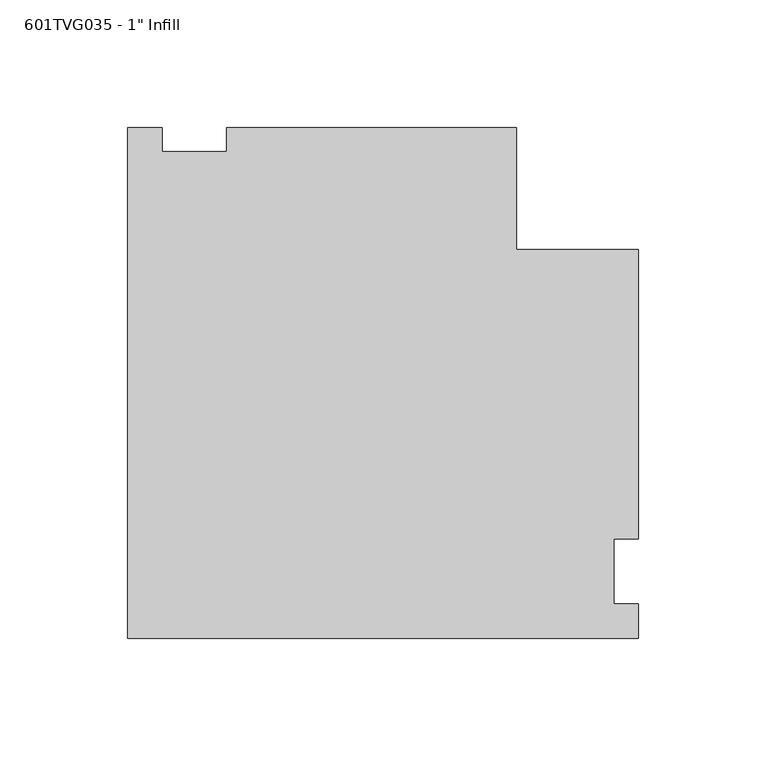
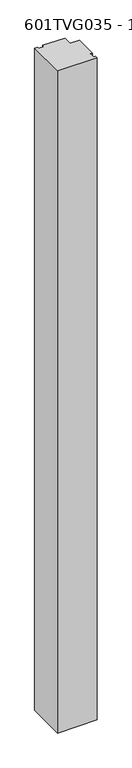
"""IFC4 building model written with IfcOpenShell, lengths in millimetres: proxy geometry."""

import ifcopenshell
import ifcopenshell.guid

model = None  # the IFC model being written
_history = None  # IfcOwnerHistory: only IFC2X3 demands one
_inside = {}  # id of a spatial element -> (the spatial element, [elements in it])
_under = {}  # id of a project, library or spatial element -> (it, [spatial elements below it])
_declared = {}  # id of a project -> (the project, [libraries it declares])
_typed = {}  # id of a type object -> (the type object, [elements of that type])
_made_of = {}  # id of a material, layer set ... -> (it, [elements and type objects made of it])


def new_model(schema):
    """Start an empty IFC model of exactly this schema.

    Asked for "IFC4X3", IfcOpenShell would pick the latest addendum, in which some entities
    have other attributes; the version numbers below select the first issue.
    IFC2X3 requires an IfcOwnerHistory on every rooted entity: one is made here for all.
    """
    global model, _history
    if schema == "IFC4X3":
        model = ifcopenshell.file(schema_version=(4, 3, 0, 0))
    else:
        model = ifcopenshell.file(schema=schema)
    _inside.clear()
    _under.clear()
    _declared.clear()
    _typed.clear()
    _made_of.clear()
    _history = None
    if model.schema == "IFC2X3":
        org = make("IfcOrganization", Name="unknown")
        user = make(
            "IfcPersonAndOrganization",
            ThePerson=make("IfcPerson", FamilyName="unknown"),
            TheOrganization=org,
        )
        app = make(
            "IfcApplication",
            ApplicationDeveloper=org,
            Version="unknown",
            ApplicationFullName="unknown",
            ApplicationIdentifier="unknown",
        )
        _history = make(
            "IfcOwnerHistory",
            OwningUser=user,
            OwningApplication=app,
            ChangeAction="ADDED",
            CreationDate=0,
        )
    return model


def make(cls, **values):
    """One entity of the class cls with the attributes given. An attribute that is None is left unset."""
    return model.create_entity(
        cls, **{name: value for name, value in values.items() if value is not None}
    )


def rooted(cls, **values):
    """An entity with a GlobalId (a new one), such as an element, a storey or a relation."""
    return make(cls, GlobalId=ifcopenshell.guid.new(), OwnerHistory=_history, **values)


def si_unit(unit_type, name, prefix=None):
    """IfcSIUnit, for example si_unit("LENGTHUNIT", "METRE", prefix="MILLI")."""
    return make("IfcSIUnit", UnitType=unit_type, Prefix=prefix, Name=name)


def assignment(units):
    """IfcUnitAssignment: the units of a project."""
    return None if units is None else make("IfcUnitAssignment", Units=units)


def point(xyz):
    """IfcCartesianPoint."""
    return None if xyz is None else make("IfcCartesianPoint", Coordinates=xyz)


def direction(xyz):
    """IfcDirection."""
    return None if xyz is None else make("IfcDirection", DirectionRatios=xyz)


def frame(location, z_axis=None, x_axis=None):
    """IfcAxis2Placement3D, a coordinate frame: its origin and axes. An axis left out is left unset."""
    return make(
        "IfcAxis2Placement3D",
        Location=point(location),
        Axis=direction(z_axis),
        RefDirection=direction(x_axis),
    )


def origin():
    """The frame at (0, 0, 0) with its axes left unset."""
    return frame((0.0, 0.0, 0.0))


def place(relative_to, where):
    """IfcLocalPlacement: puts the frame where relative to a parent placement (None: the world)."""
    return make(
        "IfcLocalPlacement", PlacementRelTo=relative_to, RelativePlacement=where
    )


def context(
    kind, dimensions, precision=None, world=None, true_north=None, identifier=None
):
    """IfcGeometricRepresentationContext, for example the 3D "Model" context."""
    return make(
        "IfcGeometricRepresentationContext",
        ContextIdentifier=identifier,
        ContextType=kind,
        CoordinateSpaceDimension=dimensions,
        Precision=precision,
        WorldCoordinateSystem=world,
        TrueNorth=true_north,
    )


def project(units=None, contexts=None):
    """IfcProject with its units and contexts."""
    return rooted(
        "IfcProject",
        Name="project",
        RepresentationContexts=contexts,
        UnitsInContext=assignment(units),
    )


def spatial(cls, under=None, at=None, **own):
    """A site, building, storey or space (cls), placed at a placement, below another one or the project."""
    s = rooted(cls, ObjectPlacement=at, **own)
    if under is not None:
        _under.setdefault(under.id(), (under, []))[1].append(s)
    return s


def polyline(points):
    """IfcPolyline through the points."""
    return make("IfcPolyline", Points=[point(p) for p in points])


def outline(outer, holes=None, kind="AREA"):
    """IfcArbitraryClosedProfileDef: a profile drawn as a closed curve; with holes, ...WithVoids."""
    if holes is None:
        return make("IfcArbitraryClosedProfileDef", ProfileType=kind, OuterCurve=outer)
    return make(
        "IfcArbitraryProfileDefWithVoids",
        ProfileType=kind,
        OuterCurve=outer,
        InnerCurves=holes,
    )


def extrude(swept, where, along, depth):
    """IfcExtrudedAreaSolid: the profile swept, set in the frame where, extruded along a direction by depth."""
    return make(
        "IfcExtrudedAreaSolid",
        SweptArea=swept,
        Position=where,
        ExtrudedDirection=direction(along),
        Depth=depth,
    )


def shape(context_of_items, identifier, shape_type, items):
    """IfcShapeRepresentation: the items that make up one representation, for example the "Body"."""
    return make(
        "IfcShapeRepresentation",
        ContextOfItems=context_of_items,
        RepresentationIdentifier=identifier,
        RepresentationType=shape_type,
        Items=items,
    )


def source(mapping_origin, context_of_items, identifier, shape_type, items):
    """IfcRepresentationMap: a shape defined once, which mapped items show again and again."""
    return make(
        "IfcRepresentationMap",
        MappingOrigin=mapping_origin,
        MappedRepresentation=shape(context_of_items, identifier, shape_type, items),
    )


def transform(
    local_origin,
    x_axis=None,
    y_axis=None,
    z_axis=None,
    scale=None,
    scale2=None,
    scale3=None,
    uniform=True,
):
    """IfcCartesianTransformationOperator3D, or its non-uniform kind. x_axis, y_axis, z_axis: its Axis1, 2, 3."""
    if uniform:
        return make(
            "IfcCartesianTransformationOperator3D",
            Axis1=direction(x_axis),
            Axis2=direction(y_axis),
            LocalOrigin=point(local_origin),
            Scale=scale,
            Axis3=direction(z_axis),
        )
    return make(
        "IfcCartesianTransformationOperator3DnonUniform",
        Axis1=direction(x_axis),
        Axis2=direction(y_axis),
        LocalOrigin=point(local_origin),
        Scale=scale,
        Axis3=direction(z_axis),
        Scale2=scale2,
        Scale3=scale3,
    )


def mapped(mapping_source, mapping_target):
    """IfcMappedItem: shows the shape of a source again, moved by a transform."""
    return make(
        "IfcMappedItem", MappingSource=mapping_source, MappingTarget=mapping_target
    )


def made_of(thing, what):
    """Note that an element or type object is made of a material, layer set ...; save() writes the relation."""
    if what is not None:
        _made_of.setdefault(what.id(), (what, []))[1].append(thing)
    return thing


def element(
    cls,
    number,
    at=None,
    inside=None,
    cuts=None,
    type_object=None,
    material=None,
    context=None,
    identifier="Body",
    shape_type=None,
    held_by="IfcProductDefinitionShape",
    body=None,
    shapes=None,
    **own,
):
    """One element of the class cls, such as IfcWall. Its Tag is "e" and its number.

    at: its placement. inside: the storey or other place that contains it. cuts: it is an
    opening in that element (IfcRelVoidsElement). A single representation is given by context,
    identifier, shape_type and body (its items); several are given by shapes. held_by: the class
    of the entity that holds the representations. save() writes the other relations.
    """
    e = rooted(cls, Tag="e%d" % number, ObjectPlacement=at, **own)
    if body is not None:
        shapes = [shape(context, identifier, shape_type, body)]
    if shapes is not None:
        e.Representation = make(held_by, Representations=shapes)
    if inside is not None:
        _inside.setdefault(inside.id(), (inside, []))[1].append(e)
    if cuts is not None:
        rooted(
            "IfcRelVoidsElement", RelatingBuildingElement=cuts, RelatedOpeningElement=e
        )
    if type_object is not None:
        _typed.setdefault(type_object.id(), (type_object, []))[1].append(e)
    return made_of(e, material)


def aggregate(whole, parts):
    """IfcRelAggregates: a whole, such as a stair, and the parts it consists of."""
    return rooted("IfcRelAggregates", RelatingObject=whole, RelatedObjects=parts)


def save(model, path):
    """Write the relations noted so far, then the file.

    IfcRelAggregates (storeys below a building ...), IfcRelContainedInSpatialStructure (elements
    in a storey), IfcRelDefinesByType, IfcRelAssociatesMaterial and IfcRelDeclares: one each for
    every whole, place, type object, material and project.
    """
    for whole, parts in _under.values():
        aggregate(whole, parts)
    for where, things in _inside.values():
        rooted(
            "IfcRelContainedInSpatialStructure",
            RelatedElements=things,
            RelatingStructure=where,
        )
    for kind, things in _typed.values():
        rooted("IfcRelDefinesByType", RelatedObjects=things, RelatingType=kind)
    for what, things in _made_of.values():
        rooted("IfcRelAssociatesMaterial", RelatedObjects=things, RelatingMaterial=what)
    for by, libraries in _declared.values():
        rooted("IfcRelDeclares", RelatingContext=by, RelatedDefinitions=libraries)
    model.write(path)


def proxy_bbac35ca(model_context):
    return source(origin(), model_context, "Body", "SweptSolid", [
        extrude(outline(polyline([(-26.19375, 173.98365), (-12.7, 173.98365), (-12.7, 164.45865), (12.7, 164.45865), (12.7, 173.98365), (126.20625, 173.98365), (126.20625, 126.20625), (173.983587, 126.20625), (173.983587, 12.7), (164.458587, 12.7), (164.458587, -12.7), (173.983587, -12.7), (173.983587, -26.19375), (-26.19375, -26.19375), (-26.19375, 173.98365)])), frame((0.0, 0.0, 50.8), z_axis=(0.0, 0.0, 1.0), x_axis=(1.0, 0.0, 0.0)), (0.0, 0.0, 1.0), 3543.3),
    ])


if __name__ == "__main__":
    model = new_model("IFC4")
    model_context = context("Model", 3, world=origin())
    ifc_project = project(units=[si_unit("LENGTHUNIT", "METRE", prefix="MILLI")], contexts=[model_context])
    site = spatial("IfcSite", under=ifc_project)
    building = spatial("IfcBuilding", under=site)
    placement = place(None, origin())
    proxy_shape = proxy_bbac35ca(model_context)
    element("IfcBuildingElementProxy", 1, Name="601TVG035 - 1\" Infill", ObjectType="601TVG035 - 1\" Infill", at=placement, inside=building, context=model_context, shape_type="MappedRepresentation", body=[
        mapped(proxy_shape, transform((0.0, 0.0, 0.0), x_axis=(1.0, 0.0, 0.0), y_axis=(0.0, 1.0, 0.0), z_axis=(0.0, 0.0, 1.0))),
    ])
    save(model, "model.ifc")
